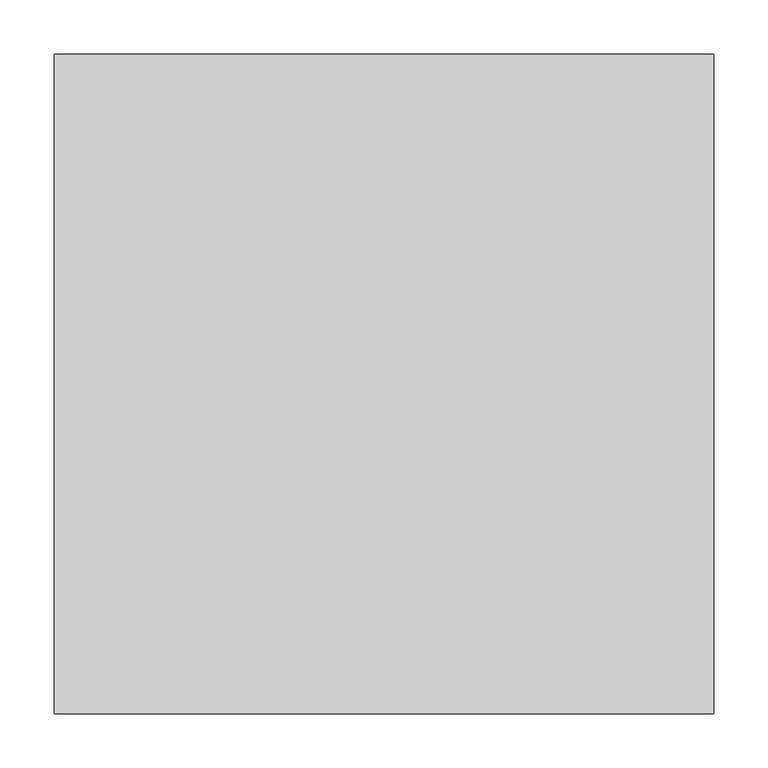
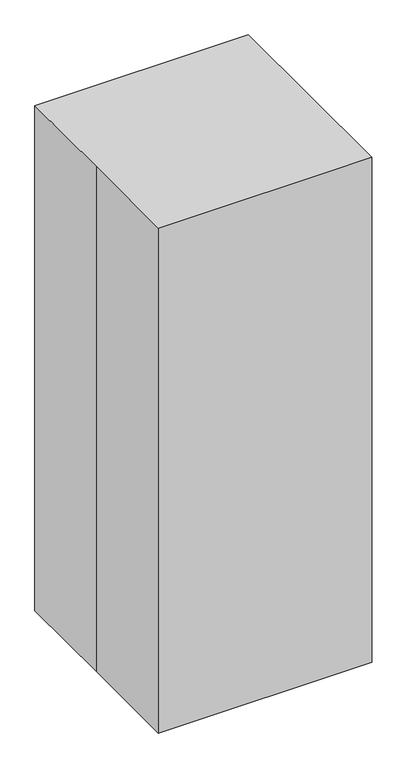
"""IFC4 building model written with IfcOpenShell, lengths in millimetres: proxy geometry."""

from ifc_helpers import new_model, si_unit, point, frame, frame_2d, origin, origin_with_axes, origin_2d, place, context, project, spatial, polyline, circle_curve, ellipse_curve, trimmed, segment, composite_curve, outline, extrude, source, transform, mapped, element, save
from ifc_brep_helpers import plane_surface, cylinder_surface, advanced_brep


def specialty_equipment_a311372d(model_context):
    return source(origin(), model_context, "Body", "SolidModel", [
        advanced_brep(
        [(-98.425, 113.0619845, 1003.3), (-79.375, 113.0619845, 1003.3), (-79.375, 154.3369845, 1003.3), (-98.425, 173.3869845, 1003.3), (79.375, 154.3369845, 1003.3), (98.425, 173.3869845, 1003.3), (98.425, 113.0619845, 1003.3), (79.375, 113.0619845, 1003.3)],
        [
            (0, 1, circle_curve(frame((-88.9, 113.0619845, 1003.3), z_axis=(0.0, -1.0, 0.0), x_axis=(1.0, 0.0, 0.0)), 9.525)),
            (1, 0, circle_curve(frame((-88.9, 113.0619845, 1003.3), z_axis=(0.0, -1.0, 0.0), x_axis=(1.0, 0.0, 0.0)), 9.525)),
            (1, 2),
            (2, 3, ellipse_curve(frame((-88.9, 163.8619845, 1003.3), z_axis=(-0.7071067811865462, -0.7071067811865487, 0.0), x_axis=(0.7071067811865486, -0.7071067811865464, 0.0)), 13.4703842, 9.525)),
            (3, 0),
            (3, 2, ellipse_curve(frame((-88.9, 163.8619845, 1003.3), z_axis=(-0.7071067811865462, -0.7071067811865487, 0.0), x_axis=(0.7071067811865486, -0.7071067811865464, 0.0)), 13.4703842, 9.525)),
            (2, 4),
            (4, 5, ellipse_curve(frame((88.9, 163.8619845, 1003.3), z_axis=(-0.7071067811865487, 0.7071067811865462, 0.0), x_axis=(-0.7071067811865464, -0.7071067811865487, 0.0)), 13.4703842, 9.525)),
            (5, 3),
            (5, 4, ellipse_curve(frame((88.9, 163.8619845, 1003.3), z_axis=(-0.7071067811865487, 0.7071067811865462, 0.0), x_axis=(-0.7071067811865464, -0.7071067811865487, 0.0)), 13.4703842, 9.525)),
            (6, 7, circle_curve(frame((88.9, 113.0619845, 1003.3), z_axis=(0.0, -1.0, 0.0), x_axis=(-1.0, 0.0, 0.0)), 9.525)),
            (7, 6, circle_curve(frame((88.9, 113.0619845, 1003.3), z_axis=(0.0, -1.0, 0.0), x_axis=(-1.0, 0.0, 0.0)), 9.525)),
            (4, 7),
            (6, 5),
        ],
        [
            plane_surface(frame((-88.9, 113.0619845, 1003.3), z_axis=(0.0, -1.0, 0.0), x_axis=(0.0, 0.0, 1.0))),
            cylinder_surface(frame((-88.9, 113.0619845, 1003.3), z_axis=(0.0, -1.0, 0.0), x_axis=(1.0, 0.0, 0.0)), 9.525),
            cylinder_surface(frame((-88.9, 163.8619845, 1003.3), z_axis=(-1.0, 0.0, 0.0), x_axis=(0.0, -1.0, 0.0)), 9.525),
            plane_surface(frame((88.9, 113.0619845, 1003.3), z_axis=(0.0, -1.0, 0.0), x_axis=(0.0, 0.0, 1.0))),
            cylinder_surface(frame((88.9, 163.8619845, 1003.3), z_axis=(0.0, 1.0, 0.0), x_axis=(-1.0, 0.0, 0.0)), 9.525),
        ],
        [
            (0, [[1, 2]]),
            (1, [[3, 4, 5, -2]]),
            (1, [[-5, 6, -3, -1]]),
            (2, [[7, 8, 9, -4]]),
            (2, [[-9, 10, -7, -6]]),
            (3, [[11, 12]]),
            (4, [[13, -11, 14, -8]]),
            (4, [[-14, -12, -13, -10]]),
        ],
    ),
        extrude(outline(polyline([(-101.6, 965.2), (-101.6, 1219.2), (57.3005542, 1219.2), (113.0619845, 1036.8125795), (113.0619845, 965.2), (-101.6, 965.2)])), frame((-127.0, 0.0, 0.0), z_axis=(1.0, 0.0, 0.0), x_axis=(0.0, 1.0, 0.0)), (0.0, 0.0, 1.0), 254.0),
        extrude(outline(composite_curve([segment(trimmed(circle_curve(frame_2d((25.4, -203.0677083)), 25.4), [point((25.4, -177.6677083))], [point((25.4, -228.4677083))], False, "CARTESIAN"), True, "CONTINUOUS"), segment(trimmed(circle_curve(frame_2d((25.4, -203.0677083)), 25.4), [point((25.4, -228.4677083))], [point((25.4, -177.6677083))], False, "CARTESIAN"), True, "CONTINUOUS")], self_intersect=False)), frame((0.0, -19.05, 0.0), z_axis=(0.0, 1.0, 0.0), x_axis=(0.0, 0.0, 1.0)), (0.0, 0.0, 1.0), 9.525),
        extrude(outline(composite_curve([segment(trimmed(circle_curve(frame_2d((25.4, -203.0677083)), 25.4), [point((25.4, -177.6677083))], [point((25.4, -228.4677083))], False, "CARTESIAN"), True, "CONTINUOUS"), segment(trimmed(circle_curve(frame_2d((25.4, -203.0677083)), 25.4), [point((25.4, -228.4677083))], [point((25.4, -177.6677083))], False, "CARTESIAN"), True, "CONTINUOUS")], self_intersect=False)), frame((0.0, 9.525, 0.0), z_axis=(0.0, 1.0, 0.0), x_axis=(0.0, 0.0, 1.0)), (0.0, 0.0, 1.0), 9.525),
        extrude(outline(composite_curve([segment(trimmed(circle_curve(frame_2d((-203.0677083, 25.4)), 25.4), [point((-228.4677083, 25.4))], [point((-177.6677083, 25.4))], False, "CARTESIAN"), True, "CONTINUOUS"), segment(trimmed(circle_curve(frame_2d((-203.0677083, 25.4)), 25.4), [point((-177.6677083, 25.4))], [point((-228.4677083, 25.4))], False, "CARTESIAN"), True, "CONTINUOUS")], self_intersect=False)), frame((9.525, 0.0, 0.0), z_axis=(1.0, 0.0, 0.0), x_axis=(0.0, 1.0, 0.0)), (0.0, 0.0, 1.0), 9.525),
        extrude(outline(composite_curve([segment(trimmed(circle_curve(frame_2d((-203.0677083, 25.4)), 25.4), [point((-177.6677083, 25.4))], [point((-228.4677083, 25.4))], False, "CARTESIAN"), True, "CONTINUOUS"), segment(trimmed(circle_curve(frame_2d((-203.0677083, 25.4)), 25.4), [point((-228.4677083, 25.4))], [point((-177.6677083, 25.4))], False, "CARTESIAN"), True, "CONTINUOUS")], self_intersect=False)), frame((-19.05, 0.0, 0.0), z_axis=(1.0, 0.0, 0.0), x_axis=(0.0, 1.0, 0.0)), (0.0, 0.0, 1.0), 9.525),
        extrude(outline(composite_curve([segment(trimmed(circle_curve(frame_2d((25.4, 203.2661458)), 25.4), [point((25.4, 228.6661458))], [point((25.4, 177.8661458))], False, "CARTESIAN"), True, "CONTINUOUS"), segment(trimmed(circle_curve(frame_2d((25.4, 203.2661458)), 25.4), [point((25.4, 177.8661458))], [point((25.4, 228.6661458))], False, "CARTESIAN"), True, "CONTINUOUS")], self_intersect=False)), frame((0.0, 9.525, 0.0), z_axis=(0.0, 1.0, 0.0), x_axis=(0.0, 0.0, 1.0)), (0.0, 0.0, 1.0), 9.525),
        extrude(outline(composite_curve([segment(trimmed(circle_curve(frame_2d((25.4, 203.2661458)), 25.4), [point((25.4, 177.8661458))], [point((25.4, 228.6661458))], False, "CARTESIAN"), True, "CONTINUOUS"), segment(trimmed(circle_curve(frame_2d((25.4, 203.2661458)), 25.4), [point((25.4, 228.6661458))], [point((25.4, 177.8661458))], False, "CARTESIAN"), True, "CONTINUOUS")], self_intersect=False)), frame((0.0, -19.05, 0.0), z_axis=(0.0, 1.0, 0.0), x_axis=(0.0, 0.0, 1.0)), (0.0, 0.0, 1.0), 9.525),
        extrude(outline(composite_curve([segment(trimmed(circle_curve(frame_2d((0.0, -211.534375)), 8.4666667), [point((-8.4666667, -211.534375))], [point((8.4666667, -211.534375))], False, "CARTESIAN"), True, "CONTINUOUS"), segment(trimmed(circle_curve(frame_2d((0.0, -211.534375)), 8.4666667), [point((8.4666667, -211.534375))], [point((-8.4666667, -211.534375))], False, "CARTESIAN"), True, "CONTINUOUS")], self_intersect=False)), frame((0.0, 0.0, 25.4), z_axis=(0.0, 0.0, 1.0), x_axis=(1.0, 0.0, 0.0)), (0.0, 0.0, 1.0), 25.4),
        extrude(outline(composite_curve([segment(trimmed(circle_curve(frame_2d((-203.0677083, 25.4)), 16.9333333), [point((-186.134375, 25.4))], [point((-220.0010417, 25.4))], False, "CARTESIAN"), True, "CONTINUOUS"), segment(trimmed(circle_curve(frame_2d((-203.0677083, 25.4)), 16.9333333), [point((-220.0010417, 25.4))], [point((-186.134375, 25.4))], False, "CARTESIAN"), True, "CONTINUOUS")], self_intersect=False)), frame((-9.525, 0.0, 0.0), z_axis=(1.0, 0.0, 0.0), x_axis=(0.0, 1.0, 0.0)), (0.0, 0.0, 1.0), 19.05),
        extrude(outline(composite_curve([segment(trimmed(circle_curve(frame_2d((211.7328125, 0.0)), 8.4666667), [point((211.7328125, -8.4666667))], [point((211.7328125, 8.4666667))], False, "CARTESIAN"), True, "CONTINUOUS"), segment(trimmed(circle_curve(frame_2d((211.7328125, 0.0)), 8.4666667), [point((211.7328125, 8.4666667))], [point((211.7328125, -8.4666667))], False, "CARTESIAN"), True, "CONTINUOUS")], self_intersect=False)), frame((0.0, 0.0, 25.4), z_axis=(0.0, 0.0, 1.0), x_axis=(1.0, 0.0, 0.0)), (0.0, 0.0, 1.0), 25.4),
        extrude(outline(composite_curve([segment(trimmed(circle_curve(frame_2d((25.4, 203.2661458)), 16.9333333), [point((25.4, 186.3328125))], [point((25.4, 220.1994792))], False, "CARTESIAN"), True, "CONTINUOUS"), segment(trimmed(circle_curve(frame_2d((25.4, 203.2661458)), 16.9333333), [point((25.4, 220.1994792))], [point((25.4, 186.3328125))], False, "CARTESIAN"), True, "CONTINUOUS")], self_intersect=False)), frame((0.0, -9.525, 0.0), z_axis=(0.0, 1.0, 0.0), x_axis=(0.0, 0.0, 1.0)), (0.0, 0.0, 1.0), 19.05),
        extrude(outline(composite_curve([segment(trimmed(circle_curve(frame_2d((-211.534375, 0.0)), 8.4666667), [point((-211.534375, 8.4666667))], [point((-211.534375, -8.4666667))], False, "CARTESIAN"), True, "CONTINUOUS"), segment(trimmed(circle_curve(frame_2d((-211.534375, 0.0)), 8.4666667), [point((-211.534375, -8.4666667))], [point((-211.534375, 8.4666667))], False, "CARTESIAN"), True, "CONTINUOUS")], self_intersect=False)), frame((0.0, 0.0, 25.4), z_axis=(0.0, 0.0, 1.0), x_axis=(1.0, 0.0, 0.0)), (0.0, 0.0, 1.0), 25.4),
        extrude(outline(composite_curve([segment(trimmed(circle_curve(frame_2d((25.4, -203.0677083)), 16.9333333), [point((25.4, -186.134375))], [point((25.4, -220.0010417))], False, "CARTESIAN"), True, "CONTINUOUS"), segment(trimmed(circle_curve(frame_2d((25.4, -203.0677083)), 16.9333333), [point((25.4, -220.0010417))], [point((25.4, -186.134375))], False, "CARTESIAN"), True, "CONTINUOUS")], self_intersect=False)), frame((0.0, -9.525, 0.0), z_axis=(0.0, 1.0, 0.0), x_axis=(0.0, 0.0, 1.0)), (0.0, 0.0, 1.0), 19.05),
        extrude(outline(composite_curve([segment(trimmed(circle_curve(frame_2d((203.2165365, 25.4)), 25.4), [point((177.8165365, 25.4))], [point((228.6165365, 25.4))], False, "CARTESIAN"), True, "CONTINUOUS"), segment(trimmed(circle_curve(frame_2d((203.2165365, 25.4)), 25.4), [point((228.6165365, 25.4))], [point((177.8165365, 25.4))], False, "CARTESIAN"), True, "CONTINUOUS")], self_intersect=False)), frame((-19.05, 0.0, 0.0), z_axis=(1.0, 0.0, 0.0), x_axis=(0.0, 1.0, 0.0)), (0.0, 0.0, 1.0), 9.525),
        extrude(outline(composite_curve([segment(trimmed(circle_curve(frame_2d((203.2165365, 25.4)), 25.4), [point((177.8165365, 25.4))], [point((228.6165365, 25.4))], False, "CARTESIAN"), True, "CONTINUOUS"), segment(trimmed(circle_curve(frame_2d((203.2165365, 25.4)), 25.4), [point((228.6165365, 25.4))], [point((177.8165365, 25.4))], False, "CARTESIAN"), True, "CONTINUOUS")], self_intersect=False)), frame((9.525, 0.0, 0.0), z_axis=(1.0, 0.0, 0.0), x_axis=(0.0, 1.0, 0.0)), (0.0, 0.0, 1.0), 9.525),
        extrude(outline(composite_curve([segment(trimmed(circle_curve(frame_2d((0.0, 211.6832031)), 8.4666667), [point((8.4666667, 211.6832031))], [point((-8.4666667, 211.6832031))], False, "CARTESIAN"), True, "CONTINUOUS"), segment(trimmed(circle_curve(frame_2d((0.0, 211.6832031)), 8.4666667), [point((-8.4666667, 211.6832031))], [point((8.4666667, 211.6832031))], False, "CARTESIAN"), True, "CONTINUOUS")], self_intersect=False)), frame((0.0, 0.0, 25.4), z_axis=(0.0, 0.0, 1.0), x_axis=(1.0, 0.0, 0.0)), (0.0, 0.0, 1.0), 25.4),
        extrude(outline(composite_curve([segment(trimmed(circle_curve(frame_2d((203.2165365, 25.4)), 16.9333333), [point((186.2832031, 25.4))], [point((220.1498698, 25.4))], False, "CARTESIAN"), True, "CONTINUOUS"), segment(trimmed(circle_curve(frame_2d((203.2165365, 25.4)), 16.9333333), [point((220.1498698, 25.4))], [point((186.2832031, 25.4))], False, "CARTESIAN"), True, "CONTINUOUS")], self_intersect=False)), frame((-9.525, 0.0, 0.0), z_axis=(1.0, 0.0, 0.0), x_axis=(0.0, 1.0, 0.0)), (0.0, 0.0, 1.0), 19.05),
        extrude(outline(polyline([(228.6, 63.5), (228.6, 50.8), (193.8216772, 50.8), (45.6550105, 12.7), (-45.6550105, 12.7), (-193.8216772, 50.8), (-228.6, 50.8), (-228.6, 63.5), (-192.6166667, 63.5), (-44.45, 25.4), (44.45, 25.4), (192.6166667, 63.5), (228.6, 63.5)])), frame((-19.05, 0.0, 0.0), z_axis=(1.0, 0.0, 0.0), x_axis=(0.0, 1.0, 0.0)), (0.0, 0.0, 1.0), 38.1),
        extrude(outline(composite_curve([segment(trimmed(circle_curve(origin_2d(), 12.7), [point((-12.7, 0.0))], [point((12.7, 0.0))], False, "CARTESIAN"), True, "CONTINUOUS"), segment(trimmed(circle_curve(origin_2d(), 12.7), [point((12.7, 0.0))], [point((-12.7, 0.0))], False, "CARTESIAN"), True, "CONTINUOUS")], self_intersect=False)), frame((0.0, 0.0, 12.7), z_axis=(0.0, 0.0, 1.0), x_axis=(1.0, 0.0, 0.0)), (0.0, 0.0, 1.0), 952.5),
        extrude(outline(polyline([(63.5, -228.6), (50.8, -228.6), (50.8, -193.8216772), (12.7, -45.6550105), (12.7, 45.6550105), (50.8, 193.8216772), (50.8, 228.6), (63.5, 228.6), (63.5, 192.6166667), (25.4, 44.45), (25.4, -44.45), (63.5, -192.6166667), (63.5, -228.6)])), frame((0.0, -19.05, 0.0), z_axis=(0.0, 1.0, 0.0), x_axis=(0.0, 0.0, 1.0)), (0.0, 0.0, 1.0), 38.1),
        extrude(outline(polyline([(-304.8, -304.8), (-304.8, 0.0), (-304.8, 304.8), (304.8, 304.8), (304.8, -304.8), (-304.8, -304.8)])), origin_with_axes(), (0.0, 0.0, 1.0), 1524.0),
    ])


if __name__ == "__main__":
    model = new_model("IFC4")
    model_context = context("Model", 3, world=origin())
    ifc_project = project(units=[si_unit("LENGTHUNIT", "METRE", prefix="MILLI")], contexts=[model_context])
    site = spatial("IfcSite", under=ifc_project)
    building = spatial("IfcBuilding", under=site)
    placement = place(None, origin())
    specialty_equipment_shape = specialty_equipment_a311372d(model_context)
    element("IfcBuildingElementProxy", 1, Name="Specialty Equipment", at=placement, inside=building, context=model_context, shape_type="MappedRepresentation", body=[
        mapped(specialty_equipment_shape, transform((0.0, 0.0, 0.0), x_axis=(1.0, 0.0, 0.0), y_axis=(0.0, 1.0, 0.0), z_axis=(0.0, 0.0, 1.0))),
    ])
    save(model, "model.ifc")
